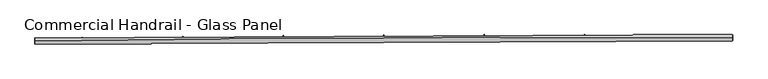
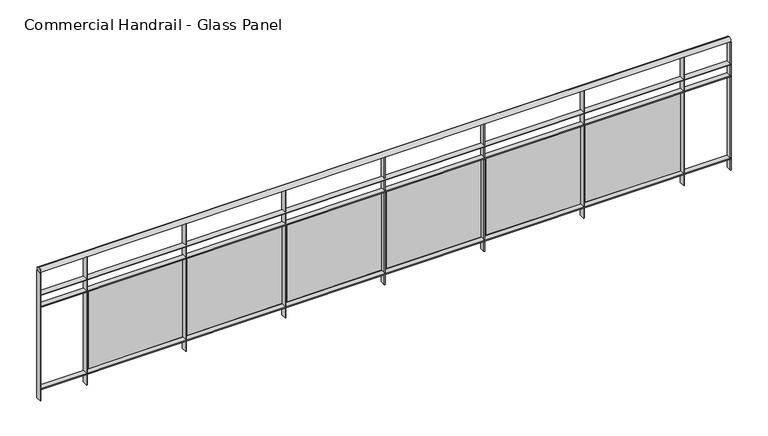
"""IFC4 building model written with IfcOpenShell, lengths in millimetres: railing geometry, Commercial Handrail - Glass Panel."""

from ifc_helpers import new_model, si_unit, point, frame, origin, place, context, project, spatial, polyline, circle_curve, ellipse_curve, trimmed, outline, extrude, source, transform, mapped, element, save
from ifc_brep_helpers import plane_surface, cylinder_surface, revolved_surface, advanced_brep


def commercial_handrail_glass_panel_a83d3285(model_context):
    return source(origin(), model_context, "Body", "SolidModel", [
        advanced_brep(
        [(99695.5207842, -31501.488128, 16282.5), (105244.6880932, -31476.3541341, 16282.5), (105244.6880932, -31476.3541341, 16317.5), (99695.5207842, -31501.488128, 16317.5)],
        [
            (0, 1, circle_curve(frame((103958.1605732, -360026.9365691, 16282.5), z_axis=(0.0, 0.0, -1.0), x_axis=(0.003915736953513462, 0.9999923334726676, 0.0)), 328553.1012963)),
            (1, 2, ellipse_curve(frame((105244.6880932, -31476.3541341, 16300.0), z_axis=(-0.9999923334726678, 0.003915736953507025, 0.0), x_axis=(0.003915736953507024, 0.9999923334726676, 0.0)), 25.0, 17.5)),
            (2, 3, circle_curve(frame((103958.1605732, -360026.9365691, 16317.5), z_axis=(0.0, 0.0, 1.0), x_axis=(0.003915736953513462, 0.9999923334726676, 0.0)), 328553.1012963)),
            (3, 0, ellipse_curve(frame((99695.5207842, -31501.488128, 16300.0), z_axis=(0.9999158344417998, 0.012973975202676357, 0.0), x_axis=(-0.012973975202676354, 0.9999158344417995, 0.0)), 25.0, 17.5)),
            (2, 1, ellipse_curve(frame((105244.6880932, -31476.3541341, 16300.0), z_axis=(-0.9999923334726678, 0.003915736953507025, 0.0), x_axis=(0.003915736953507024, 0.9999923334726676, 0.0)), 25.0, 17.5)),
            (0, 3, ellipse_curve(frame((99695.5207842, -31501.488128, 16300.0), z_axis=(0.9999158344417998, 0.012973975202676357, 0.0), x_axis=(-0.012973975202676354, 0.9999158344417995, 0.0)), 25.0, 17.5)),
        ],
        [
            revolved_surface(trimmed(ellipse_curve(frame((105244.6880932, -31476.3541341, 16300.0), z_axis=(0.9999923334726676, -0.003915736953513463, 0.0), x_axis=(0.0, 0.0, -1.0)), 17.5, 25.0), [point((105244.6880932, -31476.3541341, 16317.5))], [point((105244.6880932, -31476.3541341, 16282.5))], True, "CARTESIAN"), (103958.1605732, -360026.9365691, 16300.0), (0.0, 0.0, 1.0)),
            revolved_surface(trimmed(ellipse_curve(frame((105244.6880932, -31476.3541341, 16300.0), z_axis=(0.9999923334726676, -0.003915736953513463, 0.0), x_axis=(0.0, 0.0, -1.0)), 17.5, 25.0), [point((105244.6880932, -31476.3541341, 16282.5))], [point((105244.6880932, -31476.3541341, 16317.5))], True, "CARTESIAN"), (103958.1605732, -360026.9365691, 16300.0), (0.0, 0.0, 1.0)),
            plane_surface(frame((105244.6880932, -31476.3541341, 16300.0), z_axis=(0.9999923334726677, -0.003915736953513464, 0.0), x_axis=(0.003915736953513464, 0.9999923334726677, 0.0))),
            plane_surface(frame((99695.5207842, -31501.488128, 16300.0), z_axis=(-0.9999158344417997, -0.012973975202676328, 0.0), x_axis=(0.012973975202676328, -0.9999158344417997, 0.0))),
        ],
        [
            (0, [[1, 2, 3, 4]]),
            (1, [[-3, 5, -1, 6]]),
            (2, [[-2, -5]]),
            (3, [[-6, -4]]),
        ],
    ),
        advanced_brep(
        [(99695.8126987, -31523.9862342, 16100.0), (105244.5999891, -31498.8539616, 16100.0), (105244.7761972, -31453.8543066, 16100.0), (99695.2288698, -31478.9900217, 16100.0), (99695.8126987, -31523.9862342, 16094.0), (105244.5999891, -31498.8539616, 16094.0), (99695.2288698, -31478.9900217, 16094.0), (105244.7761972, -31453.8543066, 16094.0)],
        [
            (0, 1, circle_curve(frame((103958.1605732, -360026.9365691, 16100.0), z_axis=(0.0, 0.0, -1.0), x_axis=(0.003915736953513462, 0.9999923334726676, 0.0)), 328530.6012963)),
            (1, 2),
            (2, 3, circle_curve(frame((103958.1605732, -360026.9365691, 16100.0), z_axis=(0.0, 0.0, 1.0), x_axis=(0.003915736953513462, 0.9999923334726676, 0.0)), 328575.6012963)),
            (3, 0),
            (4, 5, circle_curve(frame((103958.1605732, -360026.9365691, 16094.0), z_axis=(0.0, 0.0, -1.0), x_axis=(0.003915736953513462, 0.9999923334726676, 0.0)), 328530.6012963)),
            (5, 1),
            (0, 4),
            (6, 7, circle_curve(frame((103958.1605732, -360026.9365691, 16094.0), z_axis=(0.0, 0.0, -1.0), x_axis=(0.003915736953513462, 0.9999923334726676, 0.0)), 328575.6012963)),
            (7, 5),
            (4, 6),
            (2, 7),
            (6, 3),
        ],
        [
            plane_surface(frame((103958.1605732, -360026.9365691, 16100.0), z_axis=(0.0, 0.0, 1.0000000000000002), x_axis=(0.003915736953513463, 0.9999923334726677, 0.0))),
            revolved_surface(polyline([(105244.59998905592, -31498.85396163439, 16100.0), (105244.59998905592, -31498.85396163439, 16094.0)]), (103958.1605732, -360026.9365691, 16100.0), (0.0, 0.0, 1.0)),
            plane_surface(frame((103958.1605732, -360026.9365691, 16094.0), z_axis=(0.0, 0.0, -1.0000000000000002), x_axis=(0.003915736953513463, 0.9999923334726677, 0.0))),
            cylinder_surface(frame((103958.1605732, -360026.9365691, 16100.0), z_axis=(0.0, 0.0, 1.0), x_axis=(0.003915736953513462, 0.9999923334726676, 0.0)), 328575.6012963),
            plane_surface(frame((105244.6880932, -31476.3541341, 16100.0), z_axis=(0.9999923334726677, -0.003915736953513464, 0.0), x_axis=(0.003915736953513464, 0.9999923334726677, 0.0))),
            plane_surface(frame((99695.5207842, -31501.488128, 16100.0), z_axis=(-0.9999158344417997, -0.012973975202676328, 0.0), x_axis=(0.012973975202676328, -0.9999158344417997, 0.0))),
        ],
        [
            (0, [[1, 2, 3, 4]]),
            (1, [[5, 6, -1, 7]]),
            (2, [[8, 9, -5, 10]]),
            (3, [[-3, 11, -8, 12]]),
            (4, [[-2, -6, -9, -11]]),
            (5, [[-12, -10, -7, -4]]),
        ],
    ),
        advanced_brep(
        [(99695.8126987, -31523.9862342, 16000.0), (105244.5999891, -31498.8539616, 16000.0), (105244.7761972, -31453.8543066, 16000.0), (99695.2288698, -31478.9900217, 16000.0), (99695.8126987, -31523.9862342, 15994.0), (105244.5999891, -31498.8539616, 15994.0), (99695.2288698, -31478.9900217, 15994.0), (105244.7761972, -31453.8543066, 15994.0)],
        [
            (0, 1, circle_curve(frame((103958.1605732, -360026.9365691, 16000.0), z_axis=(0.0, 0.0, -1.0), x_axis=(0.003915736953513462, 0.9999923334726676, 0.0)), 328530.6012963)),
            (1, 2),
            (2, 3, circle_curve(frame((103958.1605732, -360026.9365691, 16000.0), z_axis=(0.0, 0.0, 1.0), x_axis=(0.003915736953513462, 0.9999923334726676, 0.0)), 328575.6012963)),
            (3, 0),
            (4, 5, circle_curve(frame((103958.1605732, -360026.9365691, 15994.0), z_axis=(0.0, 0.0, -1.0), x_axis=(0.003915736953513462, 0.9999923334726676, 0.0)), 328530.6012963)),
            (5, 1),
            (0, 4),
            (6, 7, circle_curve(frame((103958.1605732, -360026.9365691, 15994.0), z_axis=(0.0, 0.0, -1.0), x_axis=(0.003915736953513462, 0.9999923334726676, 0.0)), 328575.6012963)),
            (7, 5),
            (4, 6),
            (2, 7),
            (6, 3),
        ],
        [
            plane_surface(frame((103958.1605732, -360026.9365691, 16000.0), z_axis=(0.0, 0.0, 1.0000000000000002), x_axis=(0.003915736953513463, 0.9999923334726677, 0.0))),
            revolved_surface(polyline([(105244.59998905592, -31498.85396163439, 16000.0), (105244.59998905592, -31498.85396163439, 15994.0)]), (103958.1605732, -360026.9365691, 16000.0), (0.0, 0.0, 1.0)),
            plane_surface(frame((103958.1605732, -360026.9365691, 15994.0), z_axis=(0.0, 0.0, -1.0000000000000002), x_axis=(0.003915736953513463, 0.9999923334726677, 0.0))),
            cylinder_surface(frame((103958.1605732, -360026.9365691, 16000.0), z_axis=(0.0, 0.0, 1.0), x_axis=(0.003915736953513462, 0.9999923334726676, 0.0)), 328575.6012963),
            plane_surface(frame((105244.6880932, -31476.3541341, 16000.0), z_axis=(0.9999923334726677, -0.003915736953513464, 0.0), x_axis=(0.003915736953513464, 0.9999923334726677, 0.0))),
            plane_surface(frame((99695.5207842, -31501.488128, 16000.0), z_axis=(-0.9999158344417997, -0.012973975202676328, 0.0), x_axis=(0.012973975202676328, -0.9999158344417997, 0.0))),
        ],
        [
            (0, [[1, 2, 3, 4]]),
            (1, [[5, 6, -1, 7]]),
            (2, [[8, 9, -5, 10]]),
            (3, [[-3, 11, -8, 12]]),
            (4, [[-2, -6, -9, -11]]),
            (5, [[-12, -10, -7, -4]]),
        ],
    ),
        advanced_brep(
        [(99695.8126987, -31523.9862342, 15300.0), (105244.5999891, -31498.8539616, 15300.0), (105244.7761972, -31453.8543066, 15300.0), (99695.2288698, -31478.9900217, 15300.0), (99695.8126987, -31523.9862342, 15294.0), (105244.5999891, -31498.8539616, 15294.0), (99695.2288698, -31478.9900217, 15294.0), (105244.7761972, -31453.8543066, 15294.0)],
        [
            (0, 1, circle_curve(frame((103958.1605732, -360026.9365691, 15300.0), z_axis=(0.0, 0.0, -1.0), x_axis=(0.003915736953513462, 0.9999923334726676, 0.0)), 328530.6012963)),
            (1, 2),
            (2, 3, circle_curve(frame((103958.1605732, -360026.9365691, 15300.0), z_axis=(0.0, 0.0, 1.0), x_axis=(0.003915736953513462, 0.9999923334726676, 0.0)), 328575.6012963)),
            (3, 0),
            (4, 5, circle_curve(frame((103958.1605732, -360026.9365691, 15294.0), z_axis=(0.0, 0.0, -1.0), x_axis=(0.003915736953513462, 0.9999923334726676, 0.0)), 328530.6012963)),
            (5, 1),
            (0, 4),
            (6, 7, circle_curve(frame((103958.1605732, -360026.9365691, 15294.0), z_axis=(0.0, 0.0, -1.0), x_axis=(0.003915736953513462, 0.9999923334726676, 0.0)), 328575.6012963)),
            (7, 5),
            (4, 6),
            (2, 7),
            (6, 3),
        ],
        [
            plane_surface(frame((103958.1605732, -360026.9365691, 15300.0), z_axis=(0.0, 0.0, 1.0000000000000002), x_axis=(0.003915736953513463, 0.9999923334726677, 0.0))),
            revolved_surface(polyline([(105244.59998905592, -31498.85396163439, 15300.0), (105244.59998905592, -31498.85396163439, 15294.0)]), (103958.1605732, -360026.9365691, 15300.0), (0.0, 0.0, 1.0)),
            plane_surface(frame((103958.1605732, -360026.9365691, 15294.0), z_axis=(0.0, 0.0, -1.0000000000000002), x_axis=(0.003915736953513463, 0.9999923334726677, 0.0))),
            cylinder_surface(frame((103958.1605732, -360026.9365691, 15300.0), z_axis=(0.0, 0.0, 1.0), x_axis=(0.003915736953513462, 0.9999923334726676, 0.0)), 328575.6012963),
            plane_surface(frame((105244.6880932, -31476.3541341, 15300.0), z_axis=(0.9999923334726677, -0.003915736953513464, 0.0), x_axis=(0.003915736953513464, 0.9999923334726677, 0.0))),
            plane_surface(frame((99695.5207842, -31501.488128, 15300.0), z_axis=(-0.9999158344417997, -0.012973975202676328, 0.0), x_axis=(0.012973975202676328, -0.9999158344417997, 0.0))),
        ],
        [
            (0, [[1, 2, 3, 4]]),
            (1, [[5, 6, -1, 7]]),
            (2, [[8, 9, -5, 10]]),
            (3, [[-3, 11, -8, 12]]),
            (4, [[-2, -6, -9, -11]]),
            (5, [[-12, -10, -7, -4]]),
        ],
    ),
        extrude(outline(polyline([(100072.870567, -31474.3071506), (100073.4030869, -31519.3039996), (100067.403507, -31519.3750023), (100066.8709872, -31474.3781533), (100072.870567, -31474.3071506)])), frame((0.0, 0.0, 15200.0), z_axis=(0.0, 0.0, 1.0), x_axis=(1.0, 0.0, 0.0)), (0.0, 0.0, 1.0), 1082.1192282),
        extrude(outline(polyline([(100850.1540943, -31494.3164749), (100090.1969245, -31502.3849334), (100090.0695278, -31490.3856097), (100850.0266976, -31482.3171512), (100850.1540943, -31494.3164749)])), frame((0.0, 0.0, 15320.0), z_axis=(0.0, 0.0, 1.0), x_axis=(1.0, 0.0, 0.0)), (0.0, 0.0, 1.0), 660.0),
        extrude(outline(polyline([(100872.8801451, -31465.8207612), (100873.3030999, -31510.8187735), (100867.3033649, -31510.8751675), (100866.8804102, -31465.8771552), (100872.8801451, -31465.8207612)])), frame((0.0, 0.0, 15200.0), z_axis=(0.0, 0.0, 1.0), x_axis=(1.0, 0.0, 0.0)), (0.0, 0.0, 1.0), 1082.1192282),
        extrude(outline(polyline([(101650.1126472, -31487.7226463), (100890.1380842, -31493.940649), (100890.0399052, -31481.9410507), (101650.0144682, -31475.723048), (101650.1126472, -31487.7226463)])), frame((0.0, 0.0, 15320.0), z_axis=(0.0, 0.0, 1.0), x_axis=(1.0, 0.0, 0.0)), (0.0, 0.0, 1.0), 660.0),
        extrude(outline(polyline([(101672.9080153, -31459.2823531), (101673.2214025, -31504.2812619), (101667.221548, -31504.3230468), (101666.9081608, -31459.3241381), (101672.9080153, -31459.2823531)])), frame((0.0, 0.0, 15200.0), z_axis=(0.0, 0.0, 1.0), x_axis=(1.0, 0.0, 0.0)), (0.0, 0.0, 1.0), 1082.1192282),
        extrude(outline(polyline([(102450.0848841, -31483.0766692), (101690.0974336, -31487.4441792), (101690.028473, -31475.4443774), (102450.0159234, -31471.0768673), (102450.0848841, -31483.0766692)])), frame((0.0, 0.0, 15320.0), z_axis=(0.0, 0.0, 1.0), x_axis=(1.0, 0.0, 0.0)), (0.0, 0.0, 1.0), 660.0),
        extrude(outline(polyline([(102472.9494344, -31454.6919651), (102473.153252, -31499.6915035), (102467.1533136, -31499.7186792), (102466.9494959, -31454.7191408), (102472.9494344, -31454.6919651)])), frame((0.0, 0.0, 15200.0), z_axis=(0.0, 0.0, 1.0), x_axis=(1.0, 0.0, 0.0)), (0.0, 0.0, 1.0), 1082.1192282),
        extrude(outline(polyline([(103250.0660621, -31480.378571), (102490.0702301, -31482.8955625), (102490.0304881, -31470.8956283), (103250.0263202, -31468.3786368), (103250.0660621, -31480.378571)])), frame((0.0, 0.0, 15320.0), z_axis=(0.0, 0.0, 1.0), x_axis=(1.0, 0.0, 0.0)), (0.0, 0.0, 1.0), 660.0),
        extrude(outline(polyline([(103272.999659, -31452.0496243), (103273.0939059, -31497.0495257), (103267.0939191, -31497.0620919), (103266.9996722, -31452.0621906), (103272.999659, -31452.0496243)])), frame((0.0, 0.0, 15200.0), z_axis=(0.0, 0.0, 1.0), x_axis=(1.0, 0.0, 0.0)), (0.0, 0.0, 1.0), 1082.1192282),
        extrude(outline(polyline([(104050.0514383, -31479.6283679), (103290.0517305, -31480.2948258), (103290.0412075, -31468.2948304), (104050.0409153, -31467.6283725), (104050.0514383, -31479.6283679)])), frame((0.0, 0.0, 15320.0), z_axis=(0.0, 0.0, 1.0), x_axis=(1.0, 0.0, 0.0)), (0.0, 0.0, 1.0), 660.0),
        extrude(outline(polyline([(104073.0539458, -31451.3553465), (104073.0386215, -31496.3553439), (104067.0386218, -31496.3533007), (104067.0539462, -31451.3533033), (104073.0539458, -31451.3553465)])), frame((0.0, 0.0, 15200.0), z_axis=(0.0, 0.0, 1.0), x_axis=(1.0, 0.0, 0.0)), (0.0, 0.0, 1.0), 1082.1192282),
        extrude(outline(polyline([(104850.0362697, -31480.8260641), (104090.0371921, -31479.6419846), (104090.0558881, -31467.6419992), (104850.0549657, -31468.8260787), (104850.0362697, -31480.8260641)])), frame((0.0, 0.0, 15320.0), z_axis=(0.0, 0.0, 1.0), x_axis=(1.0, 0.0, 0.0)), (0.0, 0.0, 1.0), 660.0),
        extrude(outline(polyline([(104873.1075514, -31452.6091358), (104872.9826559, -31497.6089625), (104866.9826791, -31497.5923097), (104867.1075746, -31452.592483), (104873.1075514, -31452.6091358)])), frame((0.0, 0.0, 15200.0), z_axis=(0.0, 0.0, 1.0), x_axis=(1.0, 0.0, 0.0)), (0.0, 0.0, 1.0), 1082.1192282),
        extrude(outline(polyline([(99698.2286173, -31478.9510998), (99698.8124462, -31523.9473123), (99692.8129512, -31524.0251562), (99692.2291223, -31479.0289436), (99698.2286173, -31478.9510998)])), frame((0.0, 0.0, 15200.0), z_axis=(0.0, 0.0, 1.0), x_axis=(1.0, 0.0, 0.0)), (0.0, 0.0, 1.0), 1082.1192282),
        extrude(outline(polyline([(105247.7761742, -31453.8660538), (105247.5999661, -31498.8657088), (105241.6000121, -31498.8422144), (105241.7762202, -31453.8425594), (105247.7761742, -31453.8660538)])), frame((0.0, 0.0, 15200.0), z_axis=(0.0, 0.0, 1.0), x_axis=(1.0, 0.0, 0.0)), (0.0, 0.0, 1.0), 1082.1192282),
    ])


if __name__ == "__main__":
    model = new_model("IFC4")
    model_context = context("Model", 3, world=origin())
    ifc_project = project(units=[si_unit("LENGTHUNIT", "METRE", prefix="MILLI")], contexts=[model_context])
    site = spatial("IfcSite", under=ifc_project)
    building = spatial("IfcBuilding", under=site)
    placement = place(None, origin())
    commercial_handrail_glass_panel_shape = commercial_handrail_glass_panel_a83d3285(model_context)
    element("IfcRailing", 1, ObjectType="Commercial Handrail - Glass Panel", at=placement, inside=building, context=model_context, shape_type="MappedRepresentation", body=[
        mapped(commercial_handrail_glass_panel_shape, transform((0.0, 0.0, 0.0), x_axis=(1.0, 0.0, 0.0), y_axis=(0.0, 1.0, 0.0), z_axis=(0.0, 0.0, 1.0))),
    ])
    save(model, "model.ifc")
